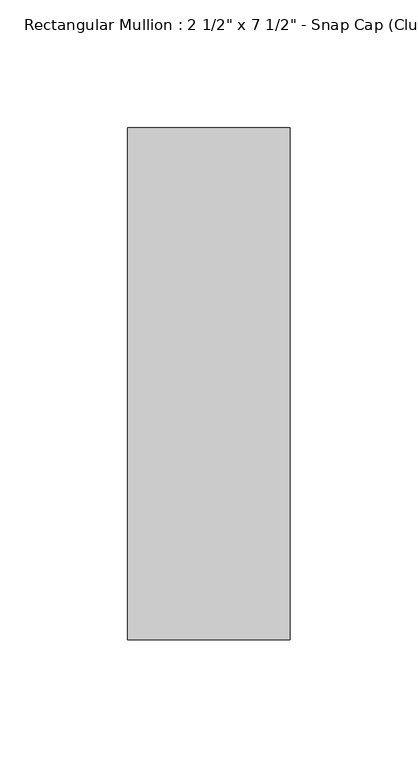
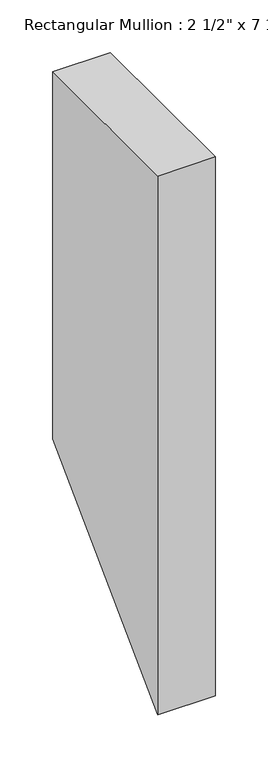
"""IFC4 building model written with IfcOpenShell, lengths in millimetres: member geometry."""

from ifc_helpers import new_model, si_unit, frame, origin, place, context, project, spatial, polyline, outline, extrude, source, transform, mapped, element, save


def member_def36c46(model_context):
    return source(origin(), model_context, "Body", "SweptSolid", [
        extrude(outline(polyline([(-174.2, 0.0), (25.8, 0.0), (25.8, -426.9401786), (-174.2, -626.9401786), (-174.2, 0.0)])), frame((-31.75, 0.0, 0.0), z_axis=(1.0, 0.0, 0.0), x_axis=(0.0, 1.0, 0.0)), (0.0, 0.0, 1.0), 63.5),
    ])


if __name__ == "__main__":
    model = new_model("IFC4")
    model_context = context("Model", 3, world=origin())
    ifc_project = project(units=[si_unit("LENGTHUNIT", "METRE", prefix="MILLI")], contexts=[model_context])
    site = spatial("IfcSite", under=ifc_project)
    building = spatial("IfcBuilding", under=site)
    placement = place(None, origin())
    member_shape = member_def36c46(model_context)
    element("IfcMember", 1, ObjectType="Rectangular Mullion : 2 1/2\" x 7 1/2\" - Snap Cap (Club)", at=placement, inside=building, context=model_context, shape_type="MappedRepresentation", body=[
        mapped(member_shape, transform((0.0, 0.0, 0.0), x_axis=(1.0, 0.0, 0.0), y_axis=(0.0, 1.0, 0.0), z_axis=(0.0, 0.0, 1.0))),
    ])
    save(model, "model.ifc")
